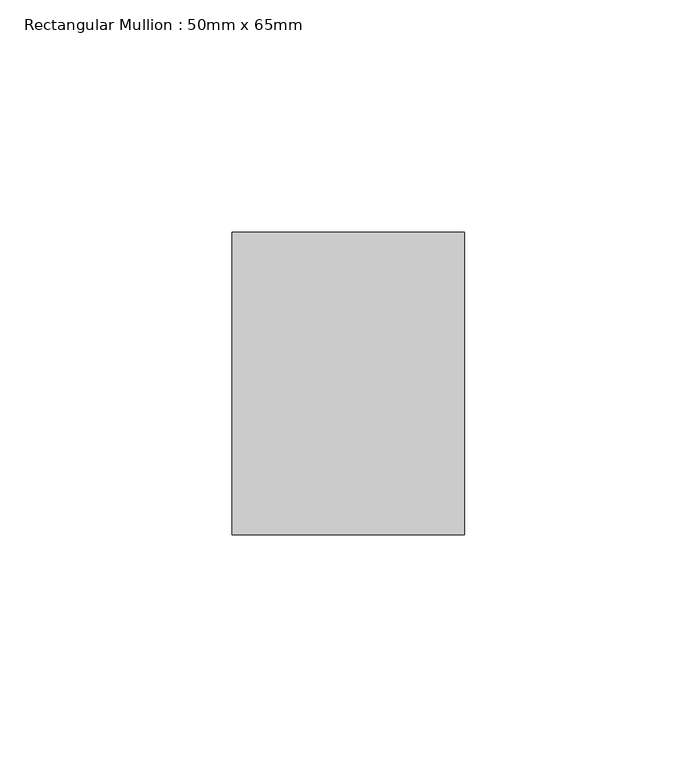
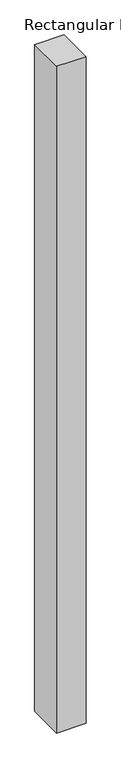
"""IFC4 building model written with IfcOpenShell, lengths in millimetres: member geometry, Rectangular Mullion : 50mm x 65mm."""

from ifc_helpers import new_model, si_unit, frame, origin, place, context, project, spatial, polyline, outline, extrude, source, transform, mapped, element, save


def rectangular_mullion_50mm_x_65mm_61027369(model_context):
    return source(origin(), model_context, "Body", "SweptSolid", [
        extrude(outline(polyline([(25.0, 32.5), (25.0, -32.5), (-25.0, -32.5), (-25.0, 32.5), (25.0, 32.5)])), frame((0.0, 0.0, -1205.1795228), z_axis=(0.0, 0.0, 1.0), x_axis=(1.0, 0.0, 0.0)), (0.0, 0.0, 1.0), 1205.1795228),
    ])


if __name__ == "__main__":
    model = new_model("IFC4")
    model_context = context("Model", 3, world=origin())
    ifc_project = project(units=[si_unit("LENGTHUNIT", "METRE", prefix="MILLI")], contexts=[model_context])
    site = spatial("IfcSite", under=ifc_project)
    building = spatial("IfcBuilding", under=site)
    placement = place(None, origin())
    rectangular_mullion_50mm_x_65mm_shape = rectangular_mullion_50mm_x_65mm_61027369(model_context)
    element("IfcMember", 1, ObjectType="Rectangular Mullion : 50mm x 65mm", at=placement, inside=building, context=model_context, shape_type="MappedRepresentation", body=[
        mapped(rectangular_mullion_50mm_x_65mm_shape, transform((0.0, 0.0, 0.0), x_axis=(1.0, 0.0, 0.0), y_axis=(0.0, 1.0, 0.0), z_axis=(0.0, 0.0, 1.0))),
    ])
    save(model, "model.ifc")
